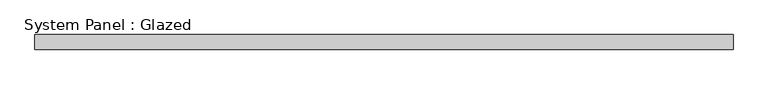
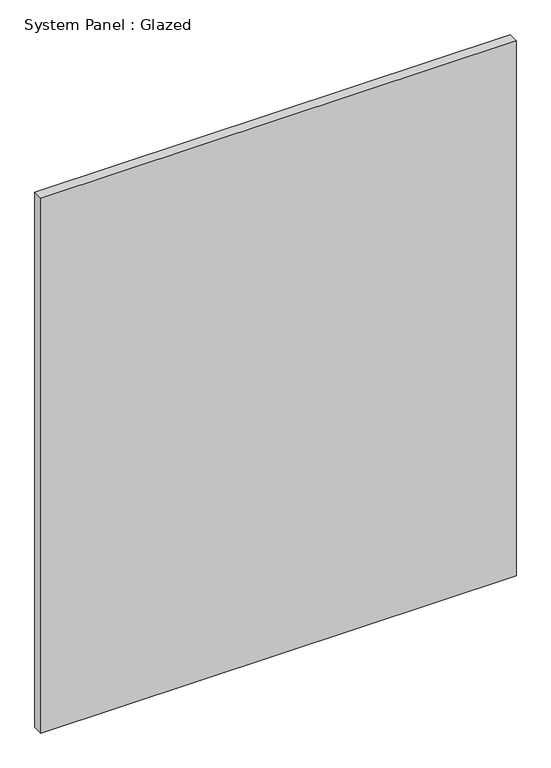
"""IFC4 building model written with IfcOpenShell, lengths in millimetres: plate geometry, System Panel : Glazed."""

import ifcopenshell
import ifcopenshell.guid

model = None  # the IFC model being written
_history = None  # IfcOwnerHistory: only IFC2X3 demands one
_inside = {}  # id of a spatial element -> (the spatial element, [elements in it])
_under = {}  # id of a project, library or spatial element -> (it, [spatial elements below it])
_declared = {}  # id of a project -> (the project, [libraries it declares])
_typed = {}  # id of a type object -> (the type object, [elements of that type])
_made_of = {}  # id of a material, layer set ... -> (it, [elements and type objects made of it])


def new_model(schema):
    """Start an empty IFC model of exactly this schema.

    Asked for "IFC4X3", IfcOpenShell would pick the latest addendum, in which some entities
    have other attributes; the version numbers below select the first issue.
    IFC2X3 requires an IfcOwnerHistory on every rooted entity: one is made here for all.
    """
    global model, _history
    if schema == "IFC4X3":
        model = ifcopenshell.file(schema_version=(4, 3, 0, 0))
    else:
        model = ifcopenshell.file(schema=schema)
    _inside.clear()
    _under.clear()
    _declared.clear()
    _typed.clear()
    _made_of.clear()
    _history = None
    if model.schema == "IFC2X3":
        org = make("IfcOrganization", Name="unknown")
        user = make(
            "IfcPersonAndOrganization",
            ThePerson=make("IfcPerson", FamilyName="unknown"),
            TheOrganization=org,
        )
        app = make(
            "IfcApplication",
            ApplicationDeveloper=org,
            Version="unknown",
            ApplicationFullName="unknown",
            ApplicationIdentifier="unknown",
        )
        _history = make(
            "IfcOwnerHistory",
            OwningUser=user,
            OwningApplication=app,
            ChangeAction="ADDED",
            CreationDate=0,
        )
    return model


def make(cls, **values):
    """One entity of the class cls with the attributes given. An attribute that is None is left unset."""
    return model.create_entity(
        cls, **{name: value for name, value in values.items() if value is not None}
    )


def rooted(cls, **values):
    """An entity with a GlobalId (a new one), such as an element, a storey or a relation."""
    return make(cls, GlobalId=ifcopenshell.guid.new(), OwnerHistory=_history, **values)


def si_unit(unit_type, name, prefix=None):
    """IfcSIUnit, for example si_unit("LENGTHUNIT", "METRE", prefix="MILLI")."""
    return make("IfcSIUnit", UnitType=unit_type, Prefix=prefix, Name=name)


def assignment(units):
    """IfcUnitAssignment: the units of a project."""
    return None if units is None else make("IfcUnitAssignment", Units=units)


def point(xyz):
    """IfcCartesianPoint."""
    return None if xyz is None else make("IfcCartesianPoint", Coordinates=xyz)


def direction(xyz):
    """IfcDirection."""
    return None if xyz is None else make("IfcDirection", DirectionRatios=xyz)


def frame(location, z_axis=None, x_axis=None):
    """IfcAxis2Placement3D, a coordinate frame: its origin and axes. An axis left out is left unset."""
    return make(
        "IfcAxis2Placement3D",
        Location=point(location),
        Axis=direction(z_axis),
        RefDirection=direction(x_axis),
    )


def origin():
    """The frame at (0, 0, 0) with its axes left unset."""
    return frame((0.0, 0.0, 0.0))


def origin_with_axes():
    """The frame at (0, 0, 0) with the z axis (0, 0, 1) and the x axis (1, 0, 0) written out."""
    return frame((0.0, 0.0, 0.0), z_axis=(0.0, 0.0, 1.0), x_axis=(1.0, 0.0, 0.0))


def place(relative_to, where):
    """IfcLocalPlacement: puts the frame where relative to a parent placement (None: the world)."""
    return make(
        "IfcLocalPlacement", PlacementRelTo=relative_to, RelativePlacement=where
    )


def context(
    kind, dimensions, precision=None, world=None, true_north=None, identifier=None
):
    """IfcGeometricRepresentationContext, for example the 3D "Model" context."""
    return make(
        "IfcGeometricRepresentationContext",
        ContextIdentifier=identifier,
        ContextType=kind,
        CoordinateSpaceDimension=dimensions,
        Precision=precision,
        WorldCoordinateSystem=world,
        TrueNorth=true_north,
    )


def project(units=None, contexts=None):
    """IfcProject with its units and contexts."""
    return rooted(
        "IfcProject",
        Name="project",
        RepresentationContexts=contexts,
        UnitsInContext=assignment(units),
    )


def spatial(cls, under=None, at=None, **own):
    """A site, building, storey or space (cls), placed at a placement, below another one or the project."""
    s = rooted(cls, ObjectPlacement=at, **own)
    if under is not None:
        _under.setdefault(under.id(), (under, []))[1].append(s)
    return s


def polyline(points):
    """IfcPolyline through the points."""
    return make("IfcPolyline", Points=[point(p) for p in points])


def outline(outer, holes=None, kind="AREA"):
    """IfcArbitraryClosedProfileDef: a profile drawn as a closed curve; with holes, ...WithVoids."""
    if holes is None:
        return make("IfcArbitraryClosedProfileDef", ProfileType=kind, OuterCurve=outer)
    return make(
        "IfcArbitraryProfileDefWithVoids",
        ProfileType=kind,
        OuterCurve=outer,
        InnerCurves=holes,
    )


def extrude(swept, where, along, depth):
    """IfcExtrudedAreaSolid: the profile swept, set in the frame where, extruded along a direction by depth."""
    return make(
        "IfcExtrudedAreaSolid",
        SweptArea=swept,
        Position=where,
        ExtrudedDirection=direction(along),
        Depth=depth,
    )


def shape(context_of_items, identifier, shape_type, items):
    """IfcShapeRepresentation: the items that make up one representation, for example the "Body"."""
    return make(
        "IfcShapeRepresentation",
        ContextOfItems=context_of_items,
        RepresentationIdentifier=identifier,
        RepresentationType=shape_type,
        Items=items,
    )


def source(mapping_origin, context_of_items, identifier, shape_type, items):
    """IfcRepresentationMap: a shape defined once, which mapped items show again and again."""
    return make(
        "IfcRepresentationMap",
        MappingOrigin=mapping_origin,
        MappedRepresentation=shape(context_of_items, identifier, shape_type, items),
    )


def transform(
    local_origin,
    x_axis=None,
    y_axis=None,
    z_axis=None,
    scale=None,
    scale2=None,
    scale3=None,
    uniform=True,
):
    """IfcCartesianTransformationOperator3D, or its non-uniform kind. x_axis, y_axis, z_axis: its Axis1, 2, 3."""
    if uniform:
        return make(
            "IfcCartesianTransformationOperator3D",
            Axis1=direction(x_axis),
            Axis2=direction(y_axis),
            LocalOrigin=point(local_origin),
            Scale=scale,
            Axis3=direction(z_axis),
        )
    return make(
        "IfcCartesianTransformationOperator3DnonUniform",
        Axis1=direction(x_axis),
        Axis2=direction(y_axis),
        LocalOrigin=point(local_origin),
        Scale=scale,
        Axis3=direction(z_axis),
        Scale2=scale2,
        Scale3=scale3,
    )


def mapped(mapping_source, mapping_target):
    """IfcMappedItem: shows the shape of a source again, moved by a transform."""
    return make(
        "IfcMappedItem", MappingSource=mapping_source, MappingTarget=mapping_target
    )


def made_of(thing, what):
    """Note that an element or type object is made of a material, layer set ...; save() writes the relation."""
    if what is not None:
        _made_of.setdefault(what.id(), (what, []))[1].append(thing)
    return thing


def element(
    cls,
    number,
    at=None,
    inside=None,
    cuts=None,
    type_object=None,
    material=None,
    context=None,
    identifier="Body",
    shape_type=None,
    held_by="IfcProductDefinitionShape",
    body=None,
    shapes=None,
    **own,
):
    """One element of the class cls, such as IfcWall. Its Tag is "e" and its number.

    at: its placement. inside: the storey or other place that contains it. cuts: it is an
    opening in that element (IfcRelVoidsElement). A single representation is given by context,
    identifier, shape_type and body (its items); several are given by shapes. held_by: the class
    of the entity that holds the representations. save() writes the other relations.
    """
    e = rooted(cls, Tag="e%d" % number, ObjectPlacement=at, **own)
    if body is not None:
        shapes = [shape(context, identifier, shape_type, body)]
    if shapes is not None:
        e.Representation = make(held_by, Representations=shapes)
    if inside is not None:
        _inside.setdefault(inside.id(), (inside, []))[1].append(e)
    if cuts is not None:
        rooted(
            "IfcRelVoidsElement", RelatingBuildingElement=cuts, RelatedOpeningElement=e
        )
    if type_object is not None:
        _typed.setdefault(type_object.id(), (type_object, []))[1].append(e)
    return made_of(e, material)


def aggregate(whole, parts):
    """IfcRelAggregates: a whole, such as a stair, and the parts it consists of."""
    return rooted("IfcRelAggregates", RelatingObject=whole, RelatedObjects=parts)


def save(model, path):
    """Write the relations noted so far, then the file.

    IfcRelAggregates (storeys below a building ...), IfcRelContainedInSpatialStructure (elements
    in a storey), IfcRelDefinesByType, IfcRelAssociatesMaterial and IfcRelDeclares: one each for
    every whole, place, type object, material and project.
    """
    for whole, parts in _under.values():
        aggregate(whole, parts)
    for where, things in _inside.values():
        rooted(
            "IfcRelContainedInSpatialStructure",
            RelatedElements=things,
            RelatingStructure=where,
        )
    for kind, things in _typed.values():
        rooted("IfcRelDefinesByType", RelatedObjects=things, RelatingType=kind)
    for what, things in _made_of.values():
        rooted("IfcRelAssociatesMaterial", RelatedObjects=things, RelatingMaterial=what)
    for by, libraries in _declared.values():
        rooted("IfcRelDeclares", RelatingContext=by, RelatedDefinitions=libraries)
    model.write(path)


def system_panel_glazed_1ffdef16(model_context):
    return source(origin(), model_context, "Body", "SweptSolid", [
        extrude(outline(polyline([(589.1625, 19.05), (-589.1625, 19.05), (-589.1625, 44.45), (589.1625, 44.45), (589.1625, 19.05)])), origin_with_axes(), (0.0, 0.0, 1.0), 1402.2183715),
    ])


if __name__ == "__main__":
    model = new_model("IFC4")
    model_context = context("Model", 3, world=origin())
    ifc_project = project(units=[si_unit("LENGTHUNIT", "METRE", prefix="MILLI")], contexts=[model_context])
    site = spatial("IfcSite", under=ifc_project)
    building = spatial("IfcBuilding", under=site)
    placement = place(None, origin())
    system_panel_glazed_shape = system_panel_glazed_1ffdef16(model_context)
    element("IfcPlate", 1, ObjectType="System Panel : Glazed", at=placement, inside=building, context=model_context, shape_type="MappedRepresentation", body=[
        mapped(system_panel_glazed_shape, transform((0.0, 0.0, 0.0), x_axis=(1.0, 0.0, 0.0), y_axis=(0.0, 1.0, 0.0), z_axis=(0.0, 0.0, 1.0))),
    ])
    save(model, "model.ifc")
